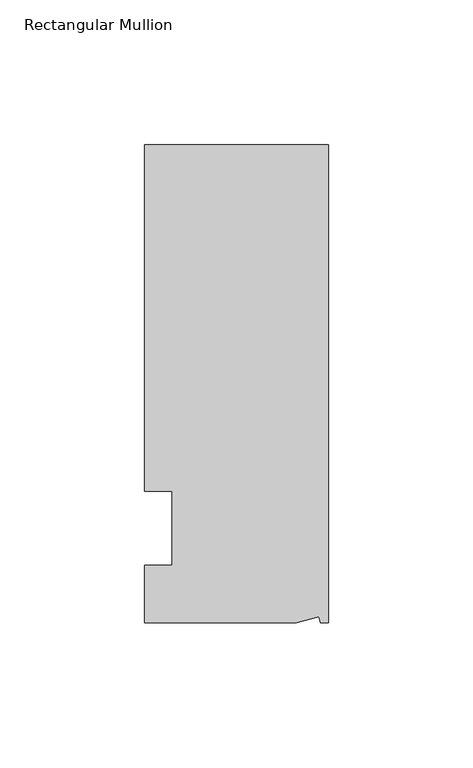
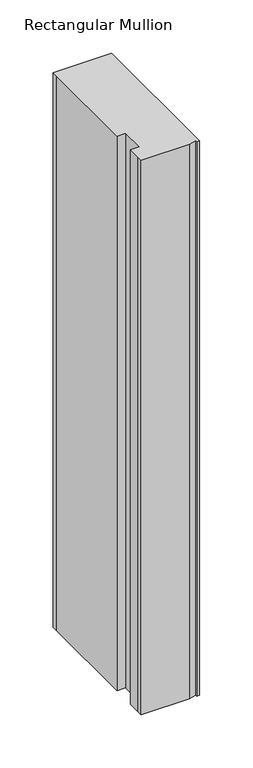
"""IFC4 building model written with IfcOpenShell, lengths in millimetres: member geometry, Rectangular Mullion."""

from ifc_helpers import new_model, si_unit, origin, place, context, project, spatial, faceted_brep, source, transform, mapped, element, save


def rectangular_mullion_671a18e6(model_context):
    return source(origin(), model_context, "Body", "Brep", [
        faceted_brep([(0.0, 132.5561012, 0.0), (-63.5, 132.5561012, 0.0), (-63.5, 126.2061012, 0.0), (-63.5, 12.8488281, 0.0), (-53.975, 12.8488281, 0.0), (-53.975, -12.7, 0.0), (-63.5, -12.7, 0.0), (-63.5, -26.1938988, 0.0), (-63.5076469, -32.5438988, 0.0), (-11.1125, -32.5438988, 0.0), (-3.3223696, -30.4565397, 0.0), (-2.7630634, -32.5438988, 0.0), (0.0, -32.5438988, 0.0), (0.0, 132.5561012, -635.0), (0.0, -32.5438988, -635.0), (-2.7630634, -32.5438988, -635.0), (-3.3223696, -30.4565397, -635.0), (-11.1125, -32.5438988, -635.0), (-63.5076469, -32.5438988, -635.0), (-63.5076469, -26.1938988, -635.0), (-63.5, -12.7, -635.0), (-53.975, -12.7, -635.0), (-53.975, 12.8488281, -635.0), (-63.5, 12.8488281, -635.0), (-63.5, 126.2061012, -635.0), (-63.5, 132.5561012, -635.0)], [[[0, 1, 2, 3, 4, 5, 6, 7, 8, 9, 10, 11, 12]], [[13, 14, 15, 16, 17, 18, 19, 20, 21, 22, 23, 24, 25]], [[0, 12, 14, 13]], [[1, 0, 13, 25]], [[3, 2, 24, 23]], [[4, 3, 23, 22]], [[5, 4, 22, 21]], [[6, 5, 21, 20]], [[7, 6, 20, 19]], [[9, 8, 18, 17]], [[10, 9, 17, 16]], [[11, 10, 16, 15]], [[12, 11, 15, 14]], [[2, 1, 25, 24]], [[8, 7, 19, 18]]]),
    ])


if __name__ == "__main__":
    model = new_model("IFC4")
    model_context = context("Model", 3, world=origin())
    ifc_project = project(units=[si_unit("LENGTHUNIT", "METRE", prefix="MILLI")], contexts=[model_context])
    site = spatial("IfcSite", under=ifc_project)
    building = spatial("IfcBuilding", under=site)
    placement = place(None, origin())
    rectangular_mullion_shape = rectangular_mullion_671a18e6(model_context)
    element("IfcMember", 1, ObjectType="Rectangular Mullion", at=placement, inside=building, context=model_context, shape_type="MappedRepresentation", body=[
        mapped(rectangular_mullion_shape, transform((0.0, 0.0, 0.0), x_axis=(1.0, 0.0, 0.0), y_axis=(0.0, 1.0, 0.0), z_axis=(0.0, 0.0, 1.0))),
    ])
    save(model, "model.ifc")
